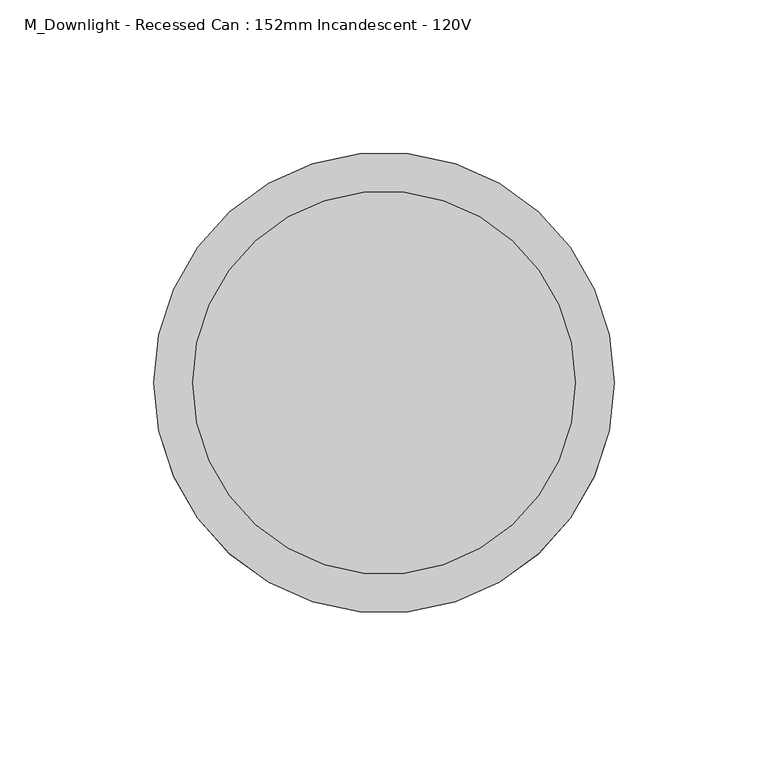
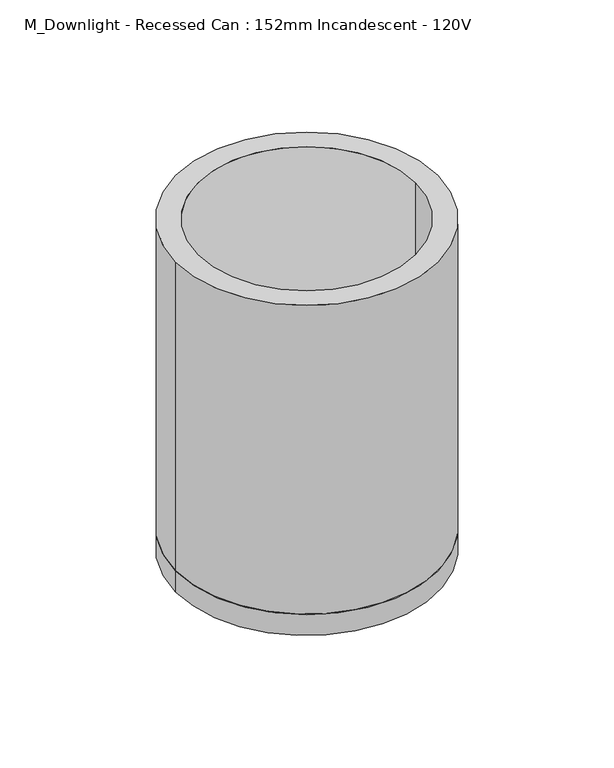
"""IFC4 building model written with IfcOpenShell, lengths in millimetres: light fixture geometry, M_Downlight - Recessed Can : 152mm Incandescent - 120V."""

from ifc_helpers import new_model, si_unit, point, frame, origin, origin_2d, place, context, project, spatial, circle_curve, trimmed, segment, composite_curve, outline, extrude, source, transform, mapped, element, save


def m_downlight_recessed_can_152mm_incandescent_120v_797ca109(model_context):
    return source(origin(), model_context, "Body", "SweptSolid", [
        extrude(outline(composite_curve([segment(trimmed(circle_curve(origin_2d(), 75.0), [point((-75.0, 0.0))], [point((75.0, 0.0))], False, "CARTESIAN"), True, "CONTINUOUS"), segment(trimmed(circle_curve(origin_2d(), 75.0), [point((75.0, 0.0))], [point((-75.0, 0.0))], False, "CARTESIAN"), True, "CONTINUOUS")], self_intersect=False)), frame((0.0, 0.0, -200.0), z_axis=(0.0, 0.0, 1.0), x_axis=(1.0, 0.0, 0.0)), (0.0, 0.0, 1.0), 12.7),
        extrude(outline(composite_curve([segment(trimmed(circle_curve(origin_2d(), 75.0), [point((-75.0, 0.0))], [point((75.0, 0.0))], False, "CARTESIAN"), True, "CONTINUOUS"), segment(trimmed(circle_curve(origin_2d(), 75.0), [point((75.0, 0.0))], [point((-75.0, 0.0))], False, "CARTESIAN"), True, "CONTINUOUS")], self_intersect=False), holes=[composite_curve([segment(trimmed(circle_curve(origin_2d(), 62.3), [point((-62.3, 0.0))], [point((62.3, 0.0))], True, "CARTESIAN"), True, "CONTINUOUS"), segment(trimmed(circle_curve(origin_2d(), 62.3), [point((62.3, 0.0))], [point((-62.3, 0.0))], True, "CARTESIAN"), True, "CONTINUOUS")], self_intersect=False)]), frame((0.0, 0.0, -187.3), z_axis=(0.0, 0.0, 1.0), x_axis=(1.0, 0.0, 0.0)), (0.0, 0.0, 1.0), 187.3),
    ])


if __name__ == "__main__":
    model = new_model("IFC4")
    model_context = context("Model", 3, world=origin())
    ifc_project = project(units=[si_unit("LENGTHUNIT", "METRE", prefix="MILLI")], contexts=[model_context])
    site = spatial("IfcSite", under=ifc_project)
    building = spatial("IfcBuilding", under=site)
    placement = place(None, origin())
    m_downlight_recessed_can_152mm_incandescent_120v_shape = m_downlight_recessed_can_152mm_incandescent_120v_797ca109(model_context)
    element("IfcLightFixture", 1, ObjectType="M_Downlight - Recessed Can : 152mm Incandescent - 120V", at=placement, inside=building, context=model_context, shape_type="MappedRepresentation", body=[
        mapped(m_downlight_recessed_can_152mm_incandescent_120v_shape, transform((0.0, 0.0, 0.0), x_axis=(1.0, 0.0, 0.0), y_axis=(0.0, 1.0, 0.0), z_axis=(0.0, 0.0, 1.0))),
    ])
    save(model, "model.ifc")
